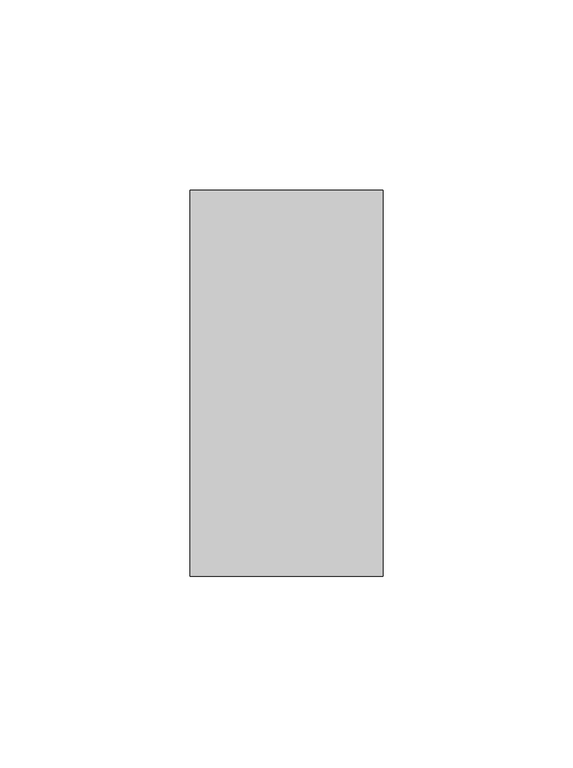
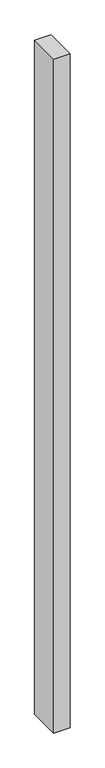
"""IFC4 building model written with IfcOpenShell, lengths in millimetres: proxy geometry."""

from ifc_helpers import new_model, si_unit, origin, origin_with_axes, place, context, project, spatial, polyline, outline, extrude, source, transform, mapped, element, save


def generic_models_a0789389(model_context):
    return source(origin(), model_context, "Body", "SweptSolid", [
        extrude(outline(polyline([(50.8, 0.0), (0.0, 0.0), (0.0, 101.6), (50.8, 101.6), (50.8, 0.0)])), origin_with_axes(), (0.0, 0.0, 1.0), 2200.0),
    ])


if __name__ == "__main__":
    model = new_model("IFC4")
    model_context = context("Model", 3, world=origin())
    ifc_project = project(units=[si_unit("LENGTHUNIT", "METRE", prefix="MILLI")], contexts=[model_context])
    site = spatial("IfcSite", under=ifc_project)
    building = spatial("IfcBuilding", under=site)
    placement = place(None, origin())
    generic_models_shape = generic_models_a0789389(model_context)
    element("IfcBuildingElementProxy", 1, Name="Generic Models", at=placement, inside=building, context=model_context, shape_type="MappedRepresentation", body=[
        mapped(generic_models_shape, transform((0.0, 0.0, 0.0), x_axis=(1.0, 0.0, 0.0), y_axis=(0.0, 1.0, 0.0), z_axis=(0.0, 0.0, 1.0))),
    ])
    save(model, "model.ifc")
